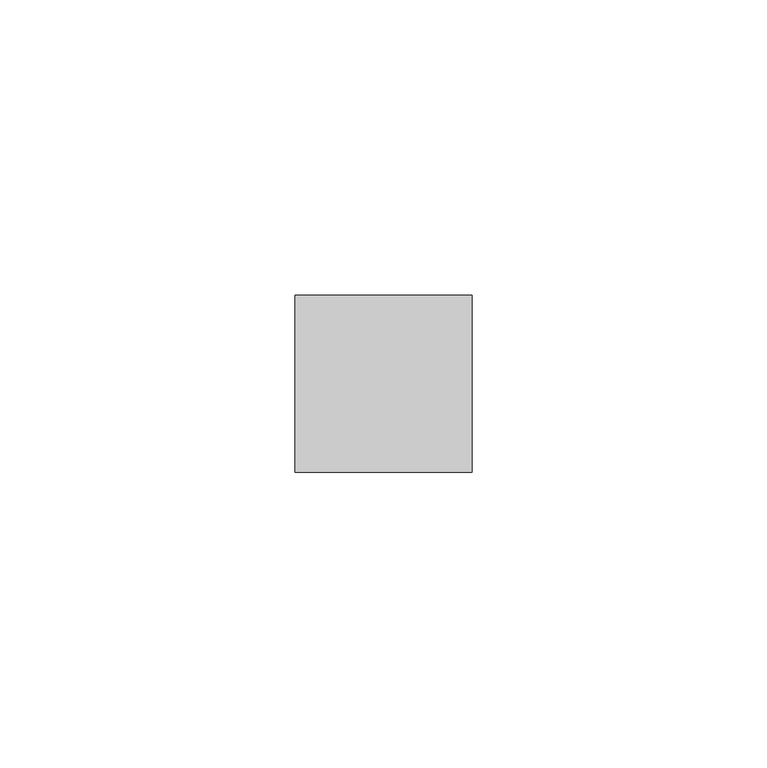
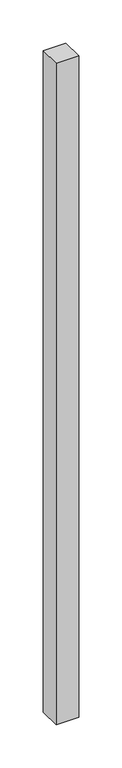
"""IFC4 building model written with IfcOpenShell, lengths in millimetres: member geometry."""

from ifc_helpers import new_model, si_unit, frame, origin, place, context, project, spatial, polyline, outline, extrude, source, transform, mapped, element, save


def member_68da4294(model_context):
    return source(origin(), model_context, "Body", "SweptSolid", [
        extrude(outline(polyline([(15.0, 15.0), (15.0, -15.0), (-15.0, -15.0), (-15.0, 15.0), (15.0, 15.0)])), frame((0.0, 0.0, -935.8333333), z_axis=(0.0, 0.0, 1.0), x_axis=(1.0, 0.0, 0.0)), (0.0, 0.0, 1.0), 935.8333333),
    ])


if __name__ == "__main__":
    model = new_model("IFC4")
    model_context = context("Model", 3, world=origin())
    ifc_project = project(units=[si_unit("LENGTHUNIT", "METRE", prefix="MILLI")], contexts=[model_context])
    site = spatial("IfcSite", under=ifc_project)
    building = spatial("IfcBuilding", under=site)
    placement = place(None, origin())
    member_shape = member_68da4294(model_context)
    element("IfcMember", 1, at=placement, inside=building, context=model_context, shape_type="MappedRepresentation", body=[
        mapped(member_shape, transform((0.0, 0.0, 0.0), x_axis=(1.0, 0.0, 0.0), y_axis=(0.0, 1.0, 0.0), z_axis=(0.0, 0.0, 1.0))),
    ])
    save(model, "model.ifc")
